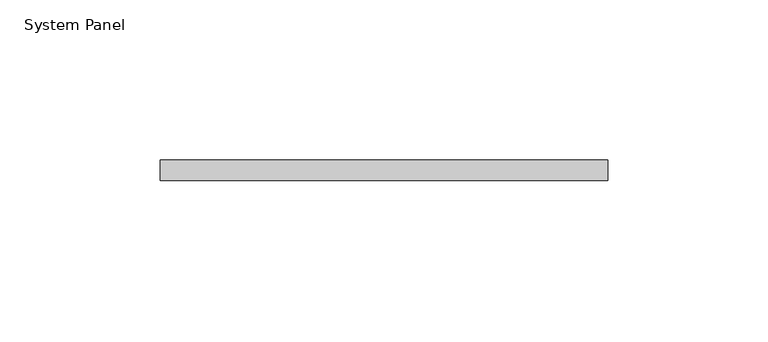
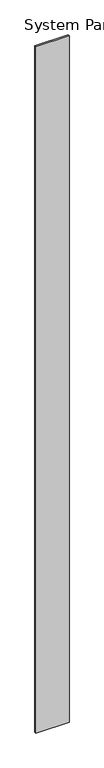
"""IFC4 building model written with IfcOpenShell, lengths in millimetres: plate geometry, System Panel."""

from ifc_helpers import new_model, si_unit, origin, origin_with_axes, place, context, project, spatial, polyline, outline, extrude, source, transform, mapped, element, save


def system_panel_0d58e5ec(model_context):
    return source(origin(), model_context, "Body", "SweptSolid", [
        extrude(outline(polyline([(69.85, 0.0), (-69.85, 0.0), (-69.85, 6.35), (69.85, 6.35), (69.85, 0.0)])), origin_with_axes(), (0.0, 0.0, 1.0), 3048.0),
    ])


if __name__ == "__main__":
    model = new_model("IFC4")
    model_context = context("Model", 3, world=origin())
    ifc_project = project(units=[si_unit("LENGTHUNIT", "METRE", prefix="MILLI")], contexts=[model_context])
    site = spatial("IfcSite", under=ifc_project)
    building = spatial("IfcBuilding", under=site)
    placement = place(None, origin())
    system_panel_shape = system_panel_0d58e5ec(model_context)
    element("IfcPlate", 1, ObjectType="System Panel", at=placement, inside=building, context=model_context, shape_type="MappedRepresentation", body=[
        mapped(system_panel_shape, transform((0.0, 0.0, 0.0), x_axis=(1.0, 0.0, 0.0), y_axis=(0.0, 1.0, 0.0), z_axis=(0.0, 0.0, 1.0))),
    ])
    save(model, "model.ifc")
